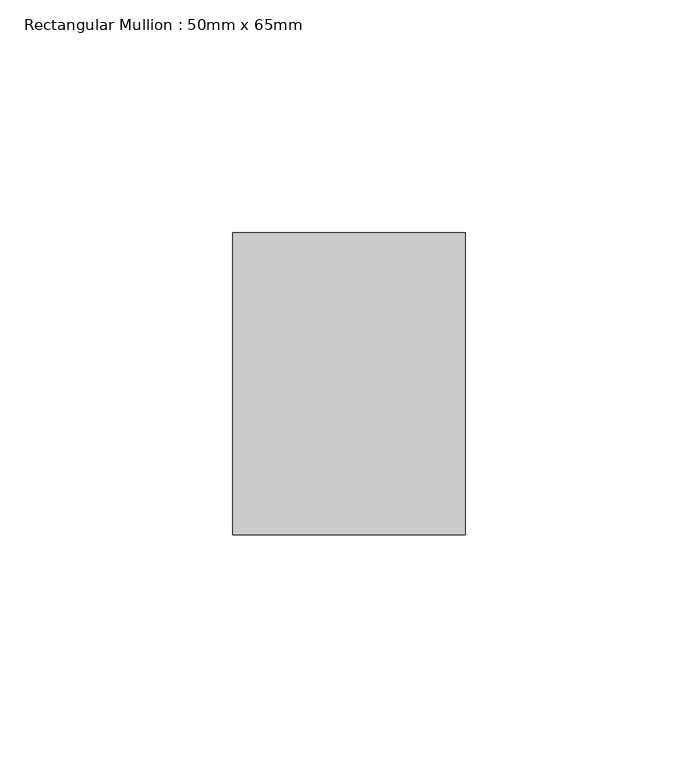
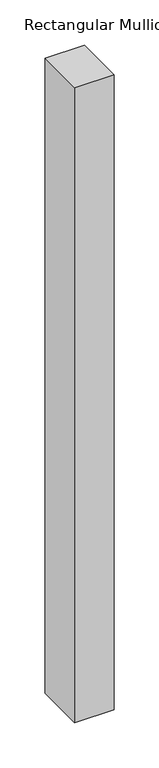
"""IFC4 building model written with IfcOpenShell, lengths in millimetres: member geometry, Rectangular Mullion : 50mm x 65mm."""

from ifc_helpers import new_model, si_unit, frame, origin, place, context, project, spatial, polyline, outline, extrude, source, transform, mapped, element, save


def rectangular_mullion_50mm_x_65mm_6adb8132(model_context):
    return source(origin(), model_context, "Body", "SweptSolid", [
        extrude(outline(polyline([(0.0, 32.5), (0.0, -32.5), (-50.0, -32.5), (-50.0, 32.5), (0.0, 32.5)])), frame((0.0, 0.0, -855.0), z_axis=(0.0, 0.0, 1.0), x_axis=(1.0, 0.0, 0.0)), (0.0, 0.0, 1.0), 855.0),
    ])


if __name__ == "__main__":
    model = new_model("IFC4")
    model_context = context("Model", 3, world=origin())
    ifc_project = project(units=[si_unit("LENGTHUNIT", "METRE", prefix="MILLI")], contexts=[model_context])
    site = spatial("IfcSite", under=ifc_project)
    building = spatial("IfcBuilding", under=site)
    placement = place(None, origin())
    rectangular_mullion_50mm_x_65mm_shape = rectangular_mullion_50mm_x_65mm_6adb8132(model_context)
    element("IfcMember", 1, ObjectType="Rectangular Mullion : 50mm x 65mm", at=placement, inside=building, context=model_context, shape_type="MappedRepresentation", body=[
        mapped(rectangular_mullion_50mm_x_65mm_shape, transform((0.0, 0.0, 0.0), x_axis=(1.0, 0.0, 0.0), y_axis=(0.0, 1.0, 0.0), z_axis=(0.0, 0.0, 1.0))),
    ])
    save(model, "model.ifc")
